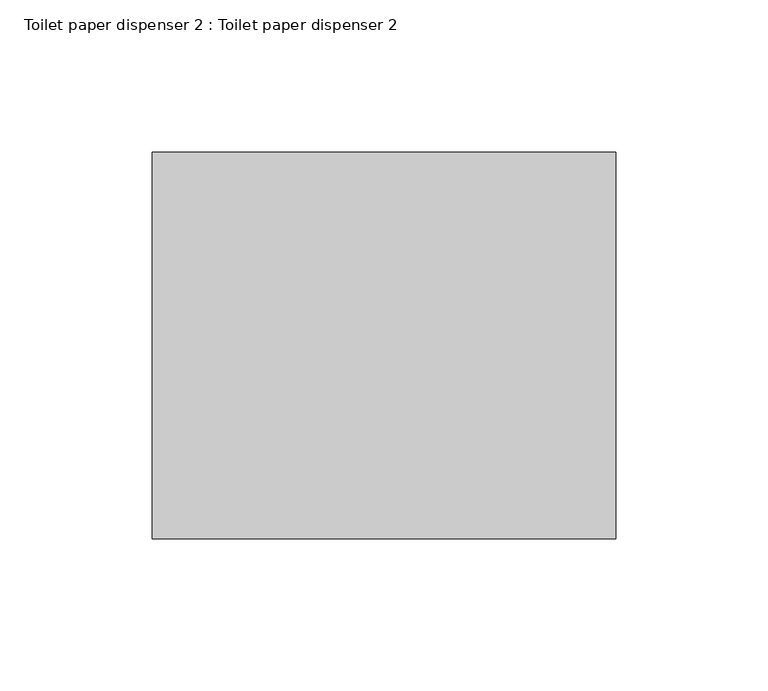
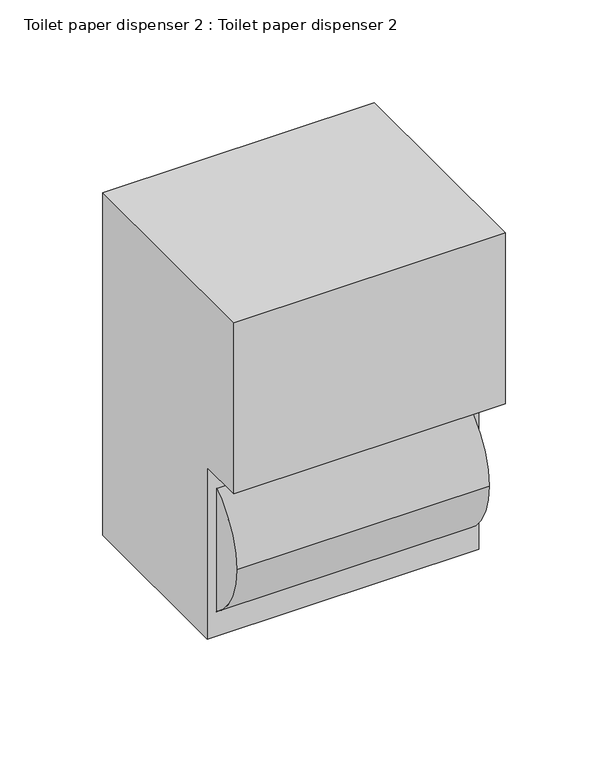
"""IFC4 building model written with IfcOpenShell, lengths in millimetres: flow terminal geometry, Toilet paper dispenser 2 : Toilet paper dispenser 2."""

from ifc_helpers import new_model, si_unit, point, frame, frame_2d, origin, place, context, project, spatial, polyline, circle_curve, trimmed, segment, composite_curve, outline, extrude, source, transform, mapped, element, save


def toilet_paper_dispenser_2_toilet_paper_dispenser_2_329a1f26(model_context):
    return source(origin(), model_context, "Body", "SweptSolid", [
        extrude(outline(composite_curve([segment(trimmed(circle_curve(frame_2d((-76.2, 431.8)), 44.45), [point((-120.65, 431.8))], [point((-31.75, 431.8))], False, "CARTESIAN"), True, "CONTINUOUS"), segment(trimmed(circle_curve(frame_2d((-76.2, 431.8)), 44.45), [point((-31.75, 431.8))], [point((-120.65, 431.8))], False, "CARTESIAN"), True, "CONTINUOUS")], self_intersect=False)), frame((-70.7703031, 0.0, 0.0), z_axis=(1.0, 0.0, 0.0), x_axis=(0.0, 1.0, 0.0)), (0.0, 0.0, 1.0), 141.5948727),
        extrude(outline(polyline([(0.0, 584.2), (0.0, 381.0), (-101.6, 381.0), (-101.6, 482.6), (-127.0, 482.6), (-127.0, 584.2), (0.0, 584.2)])), frame((-76.2, 0.0, 0.0), z_axis=(1.0, 0.0, 0.0), x_axis=(0.0, 1.0, 0.0)), (0.0, 0.0, 1.0), 152.4),
    ])


if __name__ == "__main__":
    model = new_model("IFC4")
    model_context = context("Model", 3, world=origin())
    ifc_project = project(units=[si_unit("LENGTHUNIT", "METRE", prefix="MILLI")], contexts=[model_context])
    site = spatial("IfcSite", under=ifc_project)
    building = spatial("IfcBuilding", under=site)
    placement = place(None, origin())
    toilet_paper_dispenser_2_toilet_paper_dispenser_2_shape = toilet_paper_dispenser_2_toilet_paper_dispenser_2_329a1f26(model_context)
    element("IfcFlowTerminal", 1, ObjectType="Toilet paper dispenser 2 : Toilet paper dispenser 2", at=placement, inside=building, context=model_context, shape_type="MappedRepresentation", body=[
        mapped(toilet_paper_dispenser_2_toilet_paper_dispenser_2_shape, transform((0.0, 0.0, 0.0), x_axis=(1.0, 0.0, 0.0), y_axis=(0.0, 1.0, 0.0), z_axis=(0.0, 0.0, 1.0))),
    ])
    save(model, "model.ifc")
